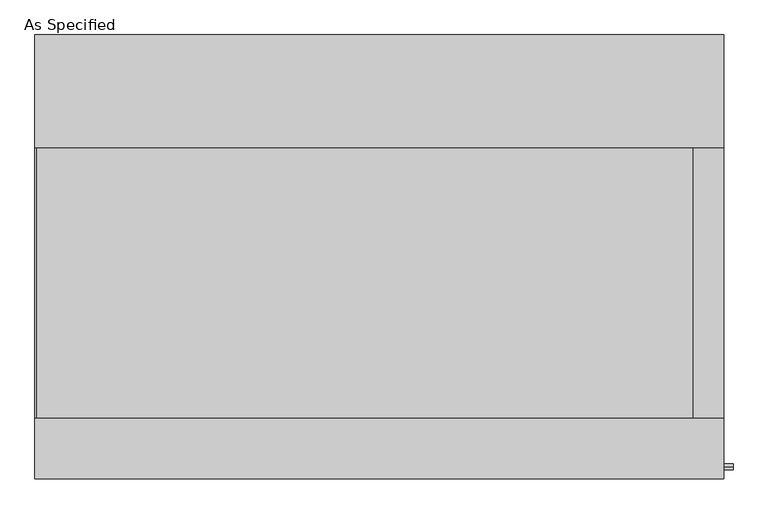
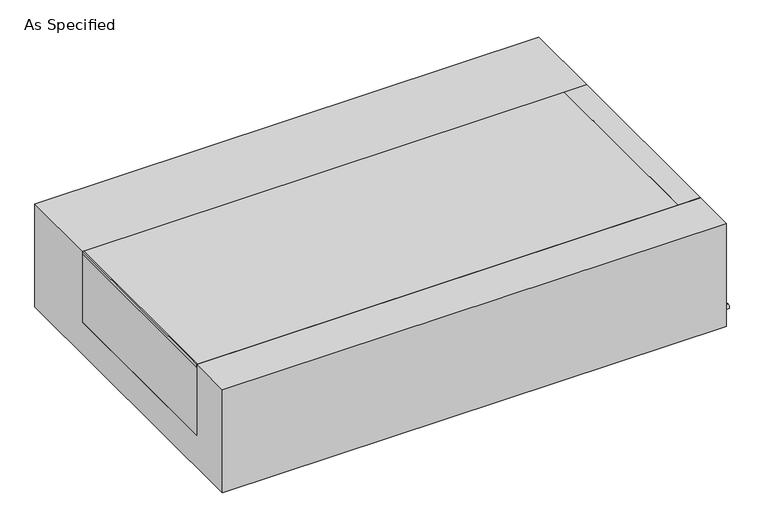
"""IFC4 building model written with IfcOpenShell, lengths in millimetres: proxy geometry, As Specified."""

from ifc_helpers import new_model, si_unit, point, frame, frame_2d, origin, place, context, project, spatial, polyline, circle_curve, trimmed, segment, composite_curve, outline, extrude, source, transform, mapped, element, save


def as_specified_5d740be9(model_context):
    return source(origin(), model_context, "Body", "SweptSolid", [
        extrude(outline(composite_curve([segment(trimmed(circle_curve(frame_2d((-712.7875, -466.725)), 10.5), [point((-712.7875, -456.225))], [point((-712.7875, -477.225))], False, "CARTESIAN"), True, "CONTINUOUS"), segment(trimmed(circle_curve(frame_2d((-712.7875, -466.725)), 10.5), [point((-712.7875, -477.225))], [point((-712.7875, -456.225))], False, "CARTESIAN"), True, "CONTINUOUS")], self_intersect=False)), frame((1166.8125, 0.0, 0.0), z_axis=(1.0, 0.0, 0.0), x_axis=(0.0, 1.0, 0.0)), (0.0, 0.0, 1.0), 31.8403384),
        extrude(outline(polyline([(1064.41875, -546.1), (1064.41875, 368.3), (1166.8125, 368.3), (1166.8125, -546.1), (1064.41875, -546.1)])), frame((0.0, 0.0, -373.0625), z_axis=(0.0, 0.0, 1.0), x_axis=(1.0, 0.0, 0.0)), (0.0, 0.0, 1.0), 347.6625),
        extrude(outline(polyline([(-1162.84375, -546.1), (-1166.8125, -546.1), (-1166.8125, 368.3), (-1162.84375, 368.3), (-1162.84375, -546.1)])), frame((0.0, 0.0, -39.6875), z_axis=(0.0, 0.0, 1.0), x_axis=(1.0, 0.0, 0.0)), (0.0, 0.0, 1.0), 14.2875),
        extrude(outline(polyline([(1064.41875, 368.3), (1064.41875, -546.1), (-1166.8125, -546.1), (-1166.8125, 368.3), (1064.41875, 368.3)])), frame((0.0, 0.0, -373.0625), z_axis=(0.0, 0.0, 1.0), x_axis=(1.0, 0.0, 0.0)), (0.0, 0.0, 1.0), 347.6625),
        extrude(outline(polyline([(752.475, -25.4), (752.475, -530.225), (-752.475, -530.225), (-752.475, -25.4), (-546.1, -25.4), (-546.1, -373.0625), (368.3, -373.0625), (368.3, -25.4), (752.475, -25.4)])), frame((-1166.8125, 0.0, 0.0), z_axis=(1.0, 0.0, 0.0), x_axis=(0.0, 1.0, 0.0)), (0.0, 0.0, 1.0), 2333.625),
    ])


if __name__ == "__main__":
    model = new_model("IFC4")
    model_context = context("Model", 3, world=origin())
    ifc_project = project(units=[si_unit("LENGTHUNIT", "METRE", prefix="MILLI")], contexts=[model_context])
    site = spatial("IfcSite", under=ifc_project)
    building = spatial("IfcBuilding", under=site)
    placement = place(None, origin())
    as_specified_shape = as_specified_5d740be9(model_context)
    element("IfcBuildingElementProxy", 1, Name="As Specified", ObjectType="As Specified", at=placement, inside=building, context=model_context, shape_type="MappedRepresentation", body=[
        mapped(as_specified_shape, transform((0.0, 0.0, 0.0), x_axis=(1.0, 0.0, 0.0), y_axis=(0.0, 1.0, 0.0), z_axis=(0.0, 0.0, 1.0))),
    ])
    save(model, "model.ifc")
